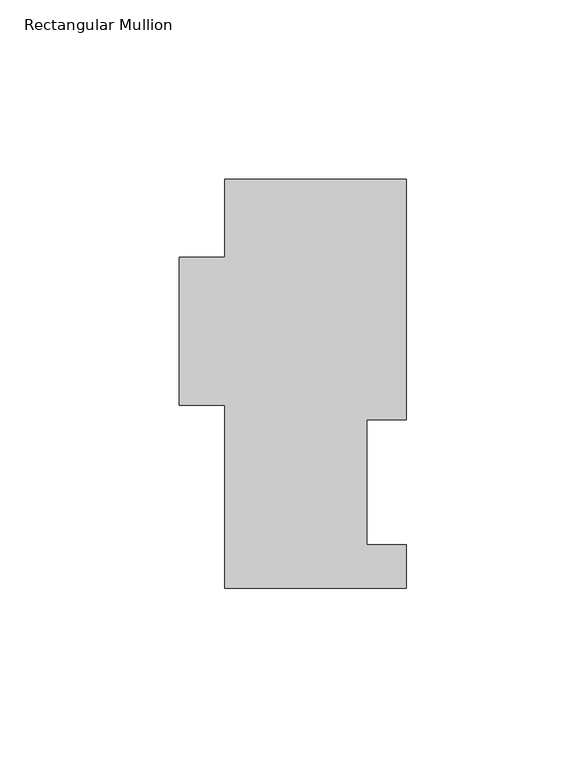
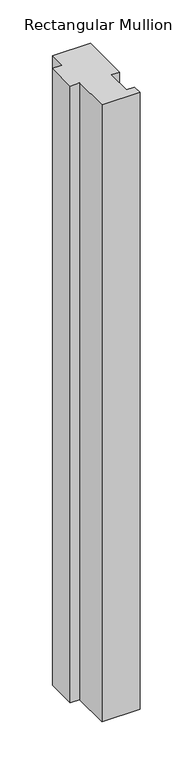
"""IFC4 building model written with IfcOpenShell, lengths in millimetres: member geometry, Rectangular Mullion."""

from ifc_helpers import new_model, si_unit, frame, origin, place, context, project, spatial, polyline, outline, extrude, source, transform, mapped, element, save


def rectangular_mullion_16f01b08(model_context):
    return source(origin(), model_context, "Body", "SweptSolid", [
        extrude(outline(polyline([(-11.0998, 47.069375), (-11.0998, 12.144375), (0.0, 12.144375), (0.0, -0.047625), (-50.8, -0.047625), (-50.8, 51.158775), (-63.5, 51.158775), (-63.5, 92.433775), (-50.8, 92.433775), (-50.8, 114.252375), (0.0, 114.252375), (0.0, 47.069375), (-11.0998, 47.069375)])), frame((0.0, 0.0, -871.22), z_axis=(0.0, 0.0, 1.0), x_axis=(1.0, 0.0, 0.0)), (0.0, 0.0, 1.0), 871.22),
    ])


if __name__ == "__main__":
    model = new_model("IFC4")
    model_context = context("Model", 3, world=origin())
    ifc_project = project(units=[si_unit("LENGTHUNIT", "METRE", prefix="MILLI")], contexts=[model_context])
    site = spatial("IfcSite", under=ifc_project)
    building = spatial("IfcBuilding", under=site)
    placement = place(None, origin())
    rectangular_mullion_shape = rectangular_mullion_16f01b08(model_context)
    element("IfcMember", 1, ObjectType="Rectangular Mullion", at=placement, inside=building, context=model_context, shape_type="MappedRepresentation", body=[
        mapped(rectangular_mullion_shape, transform((0.0, 0.0, 0.0), x_axis=(1.0, 0.0, 0.0), y_axis=(0.0, 1.0, 0.0), z_axis=(0.0, 0.0, 1.0))),
    ])
    save(model, "model.ifc")
